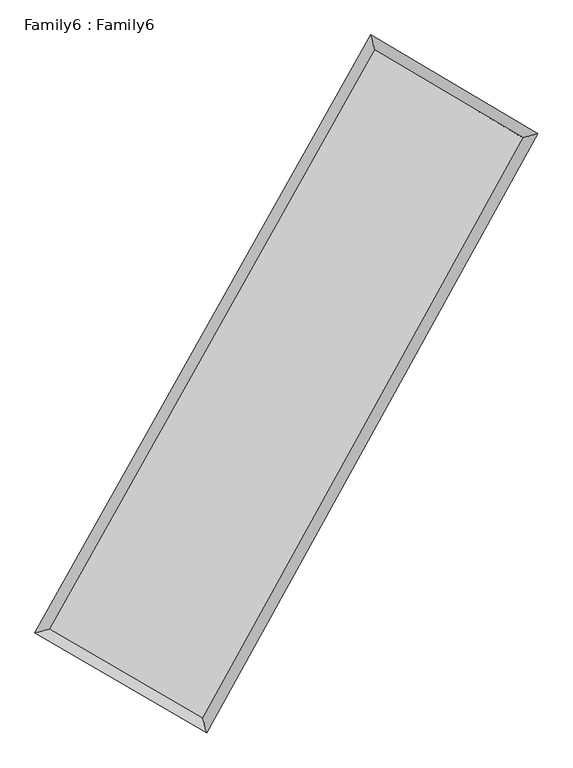
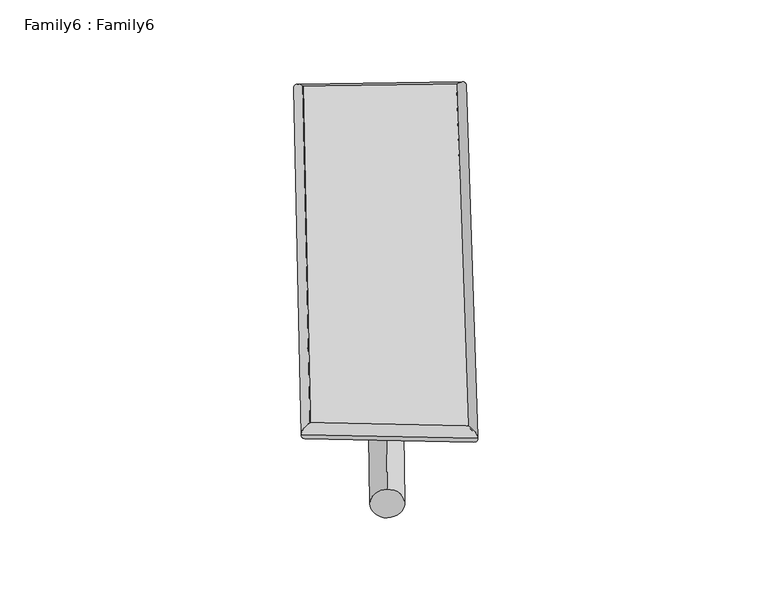
"""IFC4 building model written with IfcOpenShell, lengths in millimetres: plate geometry, Family6 : Family6."""

from ifc_helpers import new_model, si_unit, point, frame, origin, origin_2d, place, context, project, spatial, circle_curve, ellipse_curve, trimmed, segment, composite_curve, outline, extrude, source, transform, mapped, element, save
from ifc_brep_helpers import plane_surface, cylinder_surface, spline_surface, advanced_brep


def family6_family6_ec208ca1(model_context):
    return source(origin(), model_context, "Body", "SolidModel", [
        extrude(outline(composite_curve([segment(trimmed(circle_curve(origin_2d(), 76.2), [point((-75.4341514, -10.7763074))], [point((75.4341514, 10.7763074))], False, "CARTESIAN"), True, "CONTINUOUS"), segment(trimmed(circle_curve(origin_2d(), 76.2), [point((75.4341514, 10.7763074))], [point((-75.4341514, -10.7763074))], False, "CARTESIAN"), True, "CONTINUOUS")], self_intersect=False)), frame((9144.0, 9144.0, 0.0), z_axis=(0.6652737052979011, 0.6919822319990637, 0.28030606064941893), x_axis=(-0.6843725856698354, 0.7152723691491503, -0.14149064250100019)), (0.0, 0.0, 1.0), 5550.8216373),
        extrude(outline(composite_curve([segment(trimmed(circle_curve(origin_2d(), 76.2), [point((-53.8815367, 53.8815367))], [point((53.8815367, -53.8815367))], False, "CARTESIAN"), True, "CONTINUOUS"), segment(trimmed(circle_curve(origin_2d(), 76.2), [point((53.8815367, -53.8815367))], [point((-53.8815367, 53.8815367))], False, "CARTESIAN"), True, "CONTINUOUS")], self_intersect=False)), frame((9144.0, 9144.0, 0.0), z_axis=(-0.6697670025779814, -0.6880323708072362, 0.27932708243040155), x_axis=(0.6459684148678838, -0.3543144732391033, 0.6761553527454843)), (0.0, 0.0, 1.0), 5568.7837724),
        extrude(outline(composite_curve([segment(trimmed(circle_curve(origin_2d(), 76.2), [point((-53.8815368, -53.8815367))], [point((53.8815368, 53.8815367))], False, "CARTESIAN"), True, "CONTINUOUS"), segment(trimmed(circle_curve(origin_2d(), 76.2), [point((53.8815368, 53.8815367))], [point((-53.8815368, -53.8815367))], False, "CARTESIAN"), True, "CONTINUOUS")], self_intersect=False)), frame((9144.0, 9144.0, 0.0), z_axis=(0.24171273141754465, 0.9331977860785329, 0.2659263949456594), x_axis=(-0.8447761512870866, 0.33721236469374816, -0.4155009931567288)), (0.0, 0.0, 1.0), 5599.6774738),
        extrude(outline(composite_curve([segment(trimmed(circle_curve(origin_2d(), 76.2), [point((-75.4341514, 10.7763074))], [point((75.4341514, -10.7763074))], False, "CARTESIAN"), True, "CONTINUOUS"), segment(trimmed(circle_curve(origin_2d(), 76.2), [point((75.4341514, -10.7763074))], [point((-75.4341514, 10.7763074))], False, "CARTESIAN"), True, "CONTINUOUS")], self_intersect=False)), frame((9144.0, 9144.0, 0.0), z_axis=(-0.2357254576918799, -0.9346886474302739, 0.26606510662038896), x_axis=(0.8903924486921939, -0.09802013782665718, 0.4445147240445045)), (0.0, 0.0, 1.0), 5599.3133618),
        advanced_brep(
        [(5208.0780616, 5256.3761425, 1550.6923032), (5207.9517645, 5256.2069938, 1561.4767078), (5620.3467079, 5368.6168546, 1560.3319445), (10554.0089253, 14159.109967, 1495.8767986), (10441.0177492, 14580.1032756, 1482.3272883), (5620.473005, 5368.7860033, 1549.5475398), (12631.8998389, 12929.2919452, 1555.2359555), (13041.7315173, 13040.8479468, 1556.6219375), (7766.0374466, 4120.461954, 1491.0267784), (7882.1611435, 3700.3087808, 1488.5370348)],
        [
            (0, 1, ellipse_curve(frame((5414.2123848, 5312.4964986, 1555.5121238), z_axis=(-0.2629332690626222, 0.9647387412038472, 0.012052271174315659), x_axis=(-0.9645211699627088, -0.26314070913102955, 0.021351344027636908)), 213.8911506, 152.4)),
            (1, 2, ellipse_curve(frame((5414.2123848, 5312.4964986, 1555.5121238), z_axis=(-0.2629332690626222, 0.9647387412038472, 0.012052271174315659), x_axis=(-0.9645211699627088, -0.26314070913102955, 0.021351344027636908)), 213.8911506, 152.4)),
            (2, 3),
            (3, 4, ellipse_curve(frame((10497.5133372, 14369.6066213, 1489.1020435), z_axis=(-0.9656322477333278, -0.25958649630228053, -0.01300819261031382), x_axis=(0.2592755975433615, -0.9655606753592714, 0.021650559306417527)), 218.0617156, 152.4)),
            (4, 0),
            (2, 5, ellipse_curve(frame((5414.2123848, 5312.4964986, 1555.5121238), z_axis=(-0.2629332690626222, 0.9647387412038472, 0.012052271174315659), x_axis=(-0.9645211699627088, -0.26314070913102955, 0.021351344027636908)), 213.8911506, 152.4)),
            (5, 0, ellipse_curve(frame((5414.2123848, 5312.4964986, 1555.5121238), z_axis=(-0.2629332690626222, 0.9647387412038472, 0.012052271174315659), x_axis=(-0.9645211699627088, -0.26314070913102955, 0.021351344027636908)), 213.8911506, 152.4)),
            (4, 3, ellipse_curve(frame((10497.5133372, 14369.6066213, 1489.1020435), z_axis=(-0.9656322477333278, -0.25958649630228053, -0.01300819261031382), x_axis=(0.2592755975433615, -0.9655606753592714, 0.021650559306417527)), 218.0617156, 152.4)),
            (3, 6),
            (6, 7, ellipse_curve(frame((12836.8156781, 12985.069946, 1555.9289465), z_axis=(-0.2625823949439246, 0.9648262491463026, -0.012680489887609812), x_axis=(-0.9645915445824068, -0.262810560948513, -0.02222073747773882)), 212.4086831, 152.4)),
            (7, 4),
            (7, 6, ellipse_curve(frame((12836.8156781, 12985.069946, 1555.9289465), z_axis=(-0.2625823949439246, 0.9648262491463026, -0.012680489887609812), x_axis=(-0.9645915445824068, -0.262810560948513, -0.02222073747773882)), 212.4086831, 152.4)),
            (6, 8),
            (8, 9, ellipse_curve(frame((7824.099295, 3910.3853674, 1489.7819066), z_axis=(0.9637719598015131, 0.2664441813310678, -0.01229258862760901), x_axis=(-0.2661576935300281, 0.9637019447915075, 0.020943824384328933)), 217.9826388, 152.4)),
            (9, 7),
            (9, 8, ellipse_curve(frame((7824.099295, 3910.3853674, 1489.7819066), z_axis=(0.9637719598015131, 0.2664441813310678, -0.01229258862760901), x_axis=(-0.2661576935300281, 0.9637019447915075, 0.020943824384328933)), 217.9826388, 152.4)),
            (8, 5),
            (1, 9),
        ],
        [
            cylinder_surface(frame((5414.2123848, 5312.4964986, 1555.5121238), z_axis=(-0.48942280871201765, -0.8720231826748117, 0.006393996413186784), x_axis=(-0.8715327385124497, 0.48886957109416074, -0.03791079212046769)), 152.4),
            cylinder_surface(frame((10497.5133372, 14369.6066213, 1489.1020435), z_axis=(-0.8603084282100685, 0.5091811135902389, -0.024576450389069714), x_axis=(0.5096483949087109, 0.8601661718707189, -0.019304671358192006)), 152.4),
            cylinder_surface(frame((12836.8156781, 12985.069946, 1555.9289465), z_axis=(0.48351067771903067, 0.8753152094426452, 0.006380333068271863), x_axis=(0.8753369170733715, -0.4835106777190306, -0.0016450350055179194)), 152.4),
            cylinder_surface(frame((7824.099295, 3910.3853674, 1489.7819066), z_axis=(0.864108999299956, -0.5027525737099034, -0.02356877079733529), x_axis=(-0.5025038422480216, -0.8644282271334923, 0.015928862508763898)), 152.4),
        ],
        [
            (0, [[1, 2, 3, 4, 5]]),
            (0, [[6, 7, -5, 8, -3]]),
            (1, [[-4, 9, 10, 11]]),
            (1, [[-8, -11, 12, -9]]),
            (2, [[-10, 13, 14, 15]]),
            (2, [[-12, -15, 16, -13]]),
            (3, [[-14, 17, -6, -2, 18]]),
            (3, [[-16, -18, -1, -7, -17]]),
        ],
    ),
        extrude(outline(composite_curve([segment(trimmed(circle_curve(origin_2d(), 304.8), [point((-1e-07, -304.8))], [point((-1e-07, 304.8))], False, "CARTESIAN"), True, "CONTINUOUS"), segment(trimmed(circle_curve(origin_2d(), 304.8), [point((-1e-07, 304.8))], [point((-1e-07, -304.8))], False, "CARTESIAN"), True, "CONTINUOUS")], self_intersect=False)), frame((6578.290692, 4612.4094147, -0.0395698), z_axis=(0.4926939169811204, 0.8702026799039764, 7.598595249051192e-06), x_axis=(-0.8702026799348492, 0.4926939169811204, 2.0018053107491986e-06)), (0.0, 0.0, 1.0), 10415.0232813),
        advanced_brep(
        [(5414.2123848, 5312.4964986, 1555.5121238), (7824.099295, 3910.3853674, 1489.7819066), (7824.115138, 3910.379861, 1642.1819057), (5414.2282277, 5312.4909923, 1707.9121229), (12836.8156781, 12985.069946, 1555.9289465), (12836.831521, 12985.0644397, 1708.3289456), (10497.5133372, 14369.6066213, 1489.1020435), (10497.5291802, 14369.601115, 1641.5020425)],
        [
            (0, 1),
            (1, 2),
            (2, 3),
            (3, 0),
            (1, 4),
            (4, 5),
            (5, 2),
            (4, 6),
            (6, 7),
            (7, 5),
            (6, 0),
            (3, 7),
        ],
        [
            plane_surface(frame((6619.1558399, 4611.440933, 1522.6470152), z_axis=(-0.5028918391226151, -0.8643493493378733, 2.1049198657080784e-05), x_axis=(0.8641089992999558, -0.5027525737099032, -0.023568770797335287))),
            plane_surface(frame((10330.4574866, 8447.7276567, 1522.8554266), z_axis=(0.875333355915027, -0.48351991092158575, -0.00010846620761115243), x_axis=(0.48351067771903056, 0.8753152094426451, 0.00638033306827186))),
            plane_surface(frame((11667.1645077, 13677.3382837, 1522.515495), z_axis=(0.5093354187274185, 0.8605680860641388, -2.185566814394413e-05), x_axis=(-0.8603084282100683, 0.5091811135902385, -0.024576450389069707))),
            plane_surface(frame((7955.862861, 9841.0515599, 1522.3070836), z_axis=(-0.872040664606444, 0.4894334148132128, 0.00010833757082278142), x_axis=(-0.4894228087120172, -0.872023182674812, 0.006393996413186793))),
            spline_surface(1, 1, [[(7824.115138, 3910.379861, 1642.1819057), (5414.2282277, 5312.4909923, 1707.9121229)], [(12836.831521, 12985.0644397, 1708.3289456), (10497.5291802, 14369.601115, 1641.5020425)]], [2, 2], [2, 2], [0.0, 1.0], [0.0, 1.0]),
            spline_surface(1, 1, [[(10497.5133372, 14369.6066213, 1489.1020435), (5414.2123848, 5312.4964986, 1555.5121238)], [(12836.8156781, 12985.069946, 1555.9289465), (7824.099295, 3910.3853674, 1489.7819066)]], [2, 2], [2, 2], [0.0, 1.0], [0.0, 1.0]),
        ],
        [
            (0, [[1, 2, 3, 4]]),
            (1, [[5, 6, 7, -2]]),
            (2, [[8, 9, 10, -6]]),
            (3, [[11, -4, 12, -9]]),
            (4, [[-3, -7, -10, -12]]),
            (5, [[-11, -8, -5, -1]]),
        ],
    ),
    ])


if __name__ == "__main__":
    model = new_model("IFC4")
    model_context = context("Model", 3, world=origin())
    ifc_project = project(units=[si_unit("LENGTHUNIT", "METRE", prefix="MILLI")], contexts=[model_context])
    site = spatial("IfcSite", under=ifc_project)
    building = spatial("IfcBuilding", under=site)
    placement = place(None, origin())
    family6_family6_shape = family6_family6_ec208ca1(model_context)
    element("IfcPlate", 1, ObjectType="Family6 : Family6", at=placement, inside=building, context=model_context, shape_type="MappedRepresentation", body=[
        mapped(family6_family6_shape, transform((0.0, 0.0, 0.0), x_axis=(1.0, 0.0, 0.0), y_axis=(0.0, 1.0, 0.0), z_axis=(0.0, 0.0, 1.0))),
    ])
    save(model, "model.ifc")
